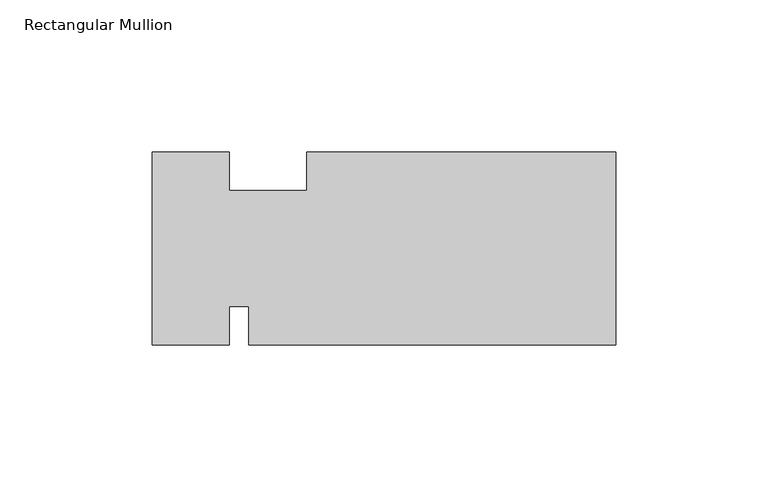
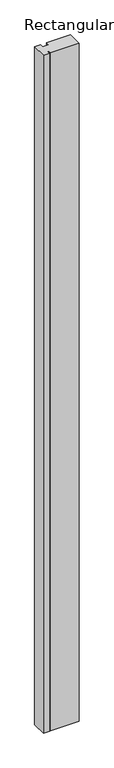
"""IFC4 building model written with IfcOpenShell, lengths in millimetres: member geometry, Rectangular Mullion."""

from ifc_helpers import new_model, si_unit, frame, origin, place, context, project, spatial, polyline, outline, extrude, source, transform, mapped, element, save


def rectangular_mullion_90cb425e(model_context):
    return source(origin(), model_context, "Body", "SweptSolid", [
        extrude(outline(polyline([(-126.993775, 25.8151477), (-126.993775, 13.1278477), (-101.6485282, 13.1278477), (-101.6485282, 25.8151477), (0.0, 25.8151477), (0.0, -37.6848523), (-120.656225, -37.6848523), (-120.656225, -24.9848523), (-126.993775, -24.9848523), (-126.993775, -37.6848523), (-152.4, -37.6848523), (-152.4, 25.8151477), (-126.993775, 25.8151477)])), frame((0.0, 0.0, -3048.0), z_axis=(0.0, 0.0, 1.0), x_axis=(1.0, 0.0, 0.0)), (0.0, 0.0, 1.0), 3048.0),
    ])


if __name__ == "__main__":
    model = new_model("IFC4")
    model_context = context("Model", 3, world=origin())
    ifc_project = project(units=[si_unit("LENGTHUNIT", "METRE", prefix="MILLI")], contexts=[model_context])
    site = spatial("IfcSite", under=ifc_project)
    building = spatial("IfcBuilding", under=site)
    placement = place(None, origin())
    rectangular_mullion_shape = rectangular_mullion_90cb425e(model_context)
    element("IfcMember", 1, ObjectType="Rectangular Mullion", at=placement, inside=building, context=model_context, shape_type="MappedRepresentation", body=[
        mapped(rectangular_mullion_shape, transform((0.0, 0.0, 0.0), x_axis=(1.0, 0.0, 0.0), y_axis=(0.0, 1.0, 0.0), z_axis=(0.0, 0.0, 1.0))),
    ])
    save(model, "model.ifc")
